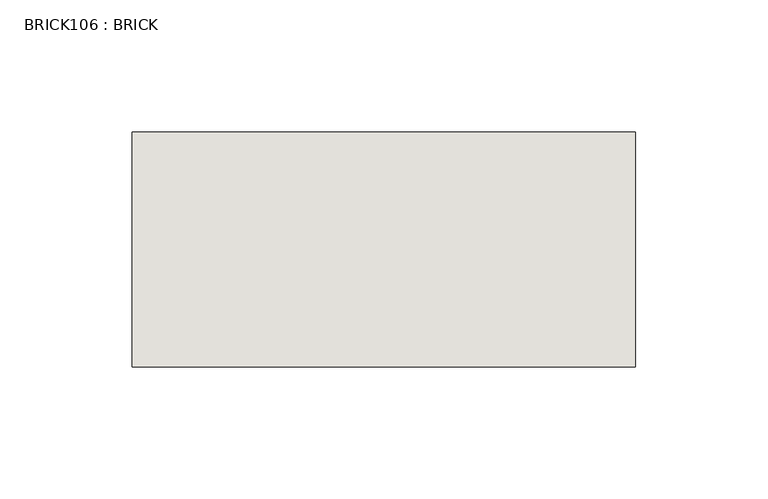
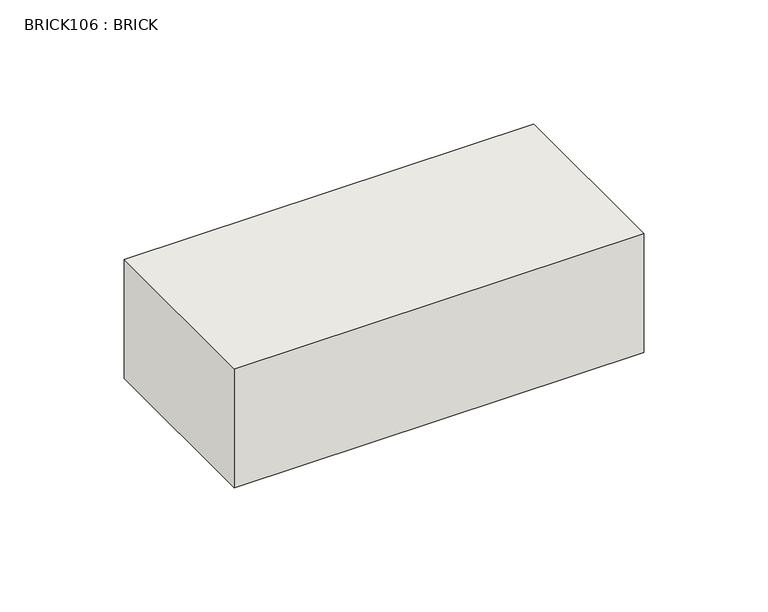
"""IFC4 building model written with IfcOpenShell, lengths in millimetres: wall geometry, BRICK106 : BRICK."""

from ifc_helpers import new_model, si_unit, frame, origin, place, context, project, spatial, polyline, outline, extrude, source, transform, mapped, element, save


def brick106_brick_218f0029(model_context):
    return source(origin(), model_context, "Body", "SweptSolid", [
        extrude(outline(polyline([(834.8530711, 2586.2274125), (1025.3530711, 2586.2274125), (1025.3530711, 2497.3274125), (834.8530711, 2497.3274125), (834.8530711, 2586.2274125)])), frame((0.0, 0.0, 74.3148438), z_axis=(0.0, 0.0, 1.0), x_axis=(1.0, 0.0, 0.0)), (0.0, 0.0, 1.0), 58.4398437),
    ])


if __name__ == "__main__":
    model = new_model("IFC4")
    model_context = context("Model", 3, world=origin())
    ifc_project = project(units=[si_unit("LENGTHUNIT", "METRE", prefix="MILLI")], contexts=[model_context])
    site = spatial("IfcSite", under=ifc_project)
    building = spatial("IfcBuilding", under=site)
    placement = place(None, origin())
    brick106_brick_shape = brick106_brick_218f0029(model_context)
    element("IfcWall", 1, ObjectType="BRICK106 : BRICK", at=placement, inside=building, context=model_context, shape_type="MappedRepresentation", body=[
        mapped(brick106_brick_shape, transform((0.0, 0.0, 0.0), x_axis=(1.0, 0.0, 0.0), y_axis=(0.0, 1.0, 0.0), z_axis=(0.0, 0.0, 1.0))),
    ])
    save(model, "model.ifc")
